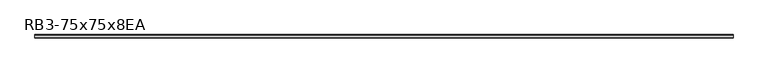
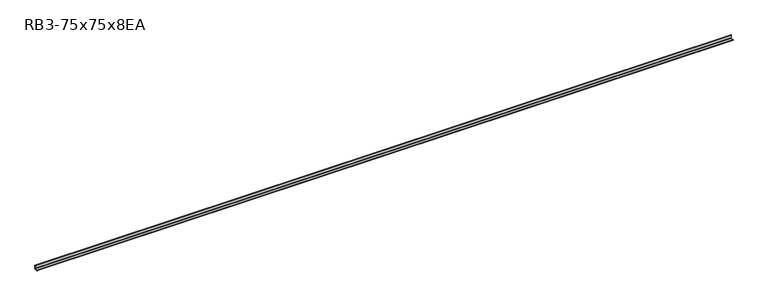
"""IFC4 building model written with IfcOpenShell, lengths in millimetres: member geometry, RB3-75x75x8EA."""

from ifc_helpers import new_model, si_unit, point, frame, frame_2d, origin, place, context, project, spatial, polyline, circle_curve, trimmed, segment, composite_curve, outline, extrude, source, transform, mapped, element, save


def rb3_75x75x8ea_08bd115e(model_context):
    return source(origin(), model_context, "Body", "SweptSolid", [
        extrude(outline(composite_curve([segment(polyline([(21.3, -21.3), (-53.7, -21.3), (-53.7, -18.3)]), True, "CONTINUOUS"), segment(trimmed(circle_curve(frame_2d((-48.7, -18.3)), 5.0), [point((-53.7, -18.3))], [point((-48.7, -13.3))], False, "CARTESIAN"), True, "CONTINUOUS"), segment(polyline([(-48.7, -13.3), (5.3, -13.3)]), True, "CONTINUOUS"), segment(trimmed(circle_curve(frame_2d((5.3, -5.3)), 8.0), [point((5.3, -13.3))], [point((13.3, -5.3))], True, "CARTESIAN"), True, "CONTINUOUS"), segment(polyline([(13.3, -5.3), (13.3, 48.7)]), True, "CONTINUOUS"), segment(trimmed(circle_curve(frame_2d((18.3, 48.7)), 5.0), [point((13.3, 48.7))], [point((18.3, 53.7))], False, "CARTESIAN"), True, "CONTINUOUS"), segment(polyline([(18.3, 53.7), (21.3, 53.7), (21.3, -21.3)]), True, "CONTINUOUS")], self_intersect=False)), frame((-7378.0, 0.0, 0.0), z_axis=(1.0, 0.0, 0.0), x_axis=(0.0, 1.0, 0.0)), (0.0, 0.0, 1.0), 14733.0),
    ])


if __name__ == "__main__":
    model = new_model("IFC4")
    model_context = context("Model", 3, world=origin())
    ifc_project = project(units=[si_unit("LENGTHUNIT", "METRE", prefix="MILLI")], contexts=[model_context])
    site = spatial("IfcSite", under=ifc_project)
    building = spatial("IfcBuilding", under=site)
    placement = place(None, origin())
    rb3_75x75x8ea_shape = rb3_75x75x8ea_08bd115e(model_context)
    element("IfcMember", 1, ObjectType="RB3-75x75x8EA", at=placement, inside=building, context=model_context, shape_type="MappedRepresentation", body=[
        mapped(rb3_75x75x8ea_shape, transform((0.0, 0.0, 0.0), x_axis=(1.0, 0.0, 0.0), y_axis=(0.0, 1.0, 0.0), z_axis=(0.0, 0.0, 1.0))),
    ])
    save(model, "model.ifc")
